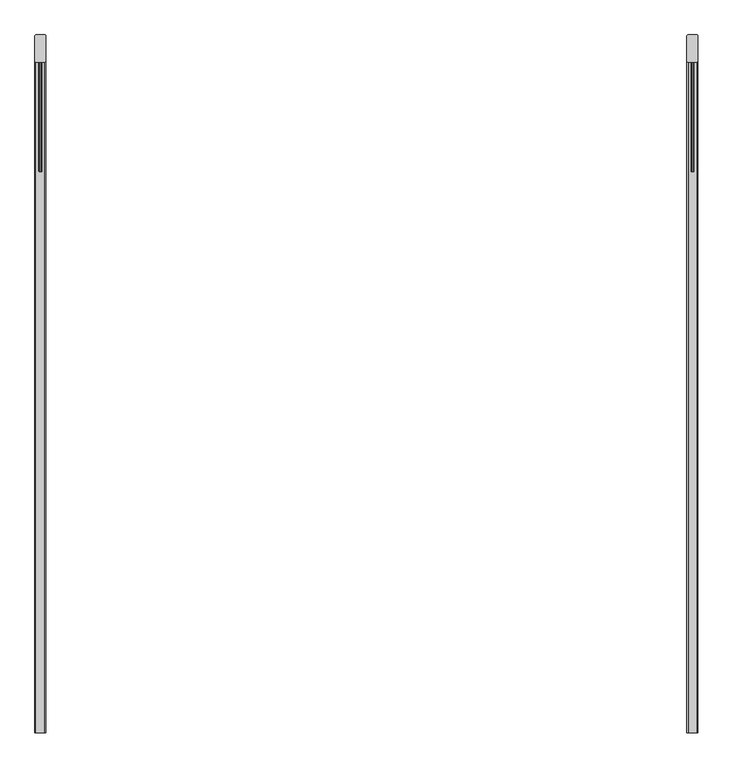
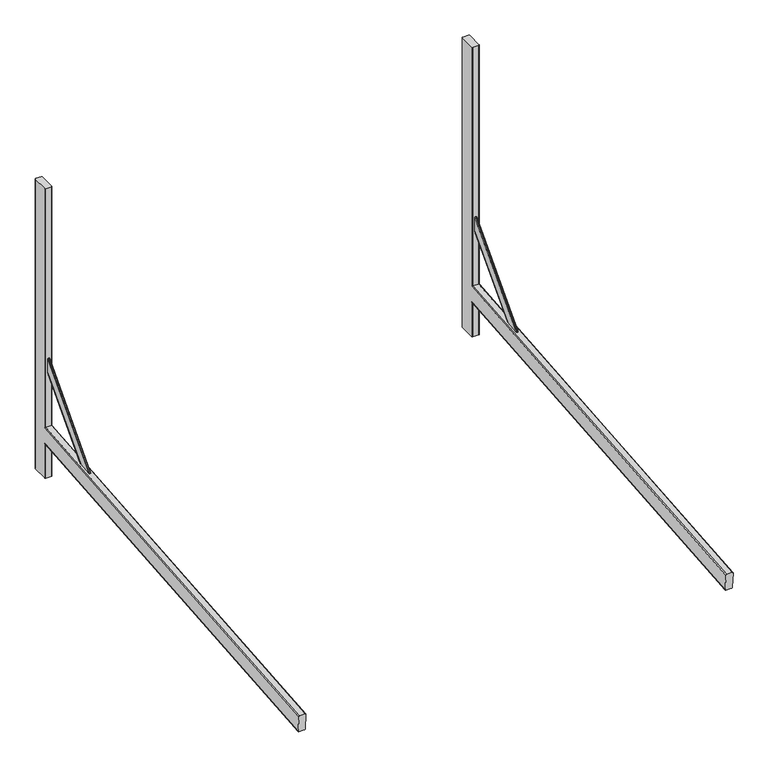
"""IFC4 building model written with IfcOpenShell, lengths in millimetres: proxy geometry."""

import ifcopenshell
import ifcopenshell.guid

model = None  # the IFC model being written
_history = None  # IfcOwnerHistory: only IFC2X3 demands one
_inside = {}  # id of a spatial element -> (the spatial element, [elements in it])
_under = {}  # id of a project, library or spatial element -> (it, [spatial elements below it])
_declared = {}  # id of a project -> (the project, [libraries it declares])
_typed = {}  # id of a type object -> (the type object, [elements of that type])
_made_of = {}  # id of a material, layer set ... -> (it, [elements and type objects made of it])


def new_model(schema):
    """Start an empty IFC model of exactly this schema.

    Asked for "IFC4X3", IfcOpenShell would pick the latest addendum, in which some entities
    have other attributes; the version numbers below select the first issue.
    IFC2X3 requires an IfcOwnerHistory on every rooted entity: one is made here for all.
    """
    global model, _history
    if schema == "IFC4X3":
        model = ifcopenshell.file(schema_version=(4, 3, 0, 0))
    else:
        model = ifcopenshell.file(schema=schema)
    _inside.clear()
    _under.clear()
    _declared.clear()
    _typed.clear()
    _made_of.clear()
    _history = None
    if model.schema == "IFC2X3":
        org = make("IfcOrganization", Name="unknown")
        user = make(
            "IfcPersonAndOrganization",
            ThePerson=make("IfcPerson", FamilyName="unknown"),
            TheOrganization=org,
        )
        app = make(
            "IfcApplication",
            ApplicationDeveloper=org,
            Version="unknown",
            ApplicationFullName="unknown",
            ApplicationIdentifier="unknown",
        )
        _history = make(
            "IfcOwnerHistory",
            OwningUser=user,
            OwningApplication=app,
            ChangeAction="ADDED",
            CreationDate=0,
        )
    return model


def make(cls, **values):
    """One entity of the class cls with the attributes given. An attribute that is None is left unset."""
    return model.create_entity(
        cls, **{name: value for name, value in values.items() if value is not None}
    )


def rooted(cls, **values):
    """An entity with a GlobalId (a new one), such as an element, a storey or a relation."""
    return make(cls, GlobalId=ifcopenshell.guid.new(), OwnerHistory=_history, **values)


def si_unit(unit_type, name, prefix=None):
    """IfcSIUnit, for example si_unit("LENGTHUNIT", "METRE", prefix="MILLI")."""
    return make("IfcSIUnit", UnitType=unit_type, Prefix=prefix, Name=name)


def assignment(units):
    """IfcUnitAssignment: the units of a project."""
    return None if units is None else make("IfcUnitAssignment", Units=units)


def point(xyz):
    """IfcCartesianPoint."""
    return None if xyz is None else make("IfcCartesianPoint", Coordinates=xyz)


def direction(xyz):
    """IfcDirection."""
    return None if xyz is None else make("IfcDirection", DirectionRatios=xyz)


def frame(location, z_axis=None, x_axis=None):
    """IfcAxis2Placement3D, a coordinate frame: its origin and axes. An axis left out is left unset."""
    return make(
        "IfcAxis2Placement3D",
        Location=point(location),
        Axis=direction(z_axis),
        RefDirection=direction(x_axis),
    )


def origin():
    """The frame at (0, 0, 0) with its axes left unset."""
    return frame((0.0, 0.0, 0.0))


def place(relative_to, where):
    """IfcLocalPlacement: puts the frame where relative to a parent placement (None: the world)."""
    return make(
        "IfcLocalPlacement", PlacementRelTo=relative_to, RelativePlacement=where
    )


def context(
    kind, dimensions, precision=None, world=None, true_north=None, identifier=None
):
    """IfcGeometricRepresentationContext, for example the 3D "Model" context."""
    return make(
        "IfcGeometricRepresentationContext",
        ContextIdentifier=identifier,
        ContextType=kind,
        CoordinateSpaceDimension=dimensions,
        Precision=precision,
        WorldCoordinateSystem=world,
        TrueNorth=true_north,
    )


def project(units=None, contexts=None):
    """IfcProject with its units and contexts."""
    return rooted(
        "IfcProject",
        Name="project",
        RepresentationContexts=contexts,
        UnitsInContext=assignment(units),
    )


def spatial(cls, under=None, at=None, **own):
    """A site, building, storey or space (cls), placed at a placement, below another one or the project."""
    s = rooted(cls, ObjectPlacement=at, **own)
    if under is not None:
        _under.setdefault(under.id(), (under, []))[1].append(s)
    return s


def circle_curve(where, radius):
    """IfcCircle in the frame where."""
    return make("IfcCircle", Position=where, Radius=radius)


def ellipse_curve(where, semi_axis1, semi_axis2):
    """IfcEllipse in the frame where."""
    return make(
        "IfcEllipse", Position=where, SemiAxis1=semi_axis1, SemiAxis2=semi_axis2
    )


def shape(context_of_items, identifier, shape_type, items):
    """IfcShapeRepresentation: the items that make up one representation, for example the "Body"."""
    return make(
        "IfcShapeRepresentation",
        ContextOfItems=context_of_items,
        RepresentationIdentifier=identifier,
        RepresentationType=shape_type,
        Items=items,
    )


def source(mapping_origin, context_of_items, identifier, shape_type, items):
    """IfcRepresentationMap: a shape defined once, which mapped items show again and again."""
    return make(
        "IfcRepresentationMap",
        MappingOrigin=mapping_origin,
        MappedRepresentation=shape(context_of_items, identifier, shape_type, items),
    )


def transform(
    local_origin,
    x_axis=None,
    y_axis=None,
    z_axis=None,
    scale=None,
    scale2=None,
    scale3=None,
    uniform=True,
):
    """IfcCartesianTransformationOperator3D, or its non-uniform kind. x_axis, y_axis, z_axis: its Axis1, 2, 3."""
    if uniform:
        return make(
            "IfcCartesianTransformationOperator3D",
            Axis1=direction(x_axis),
            Axis2=direction(y_axis),
            LocalOrigin=point(local_origin),
            Scale=scale,
            Axis3=direction(z_axis),
        )
    return make(
        "IfcCartesianTransformationOperator3DnonUniform",
        Axis1=direction(x_axis),
        Axis2=direction(y_axis),
        LocalOrigin=point(local_origin),
        Scale=scale,
        Axis3=direction(z_axis),
        Scale2=scale2,
        Scale3=scale3,
    )


def mapped(mapping_source, mapping_target):
    """IfcMappedItem: shows the shape of a source again, moved by a transform."""
    return make(
        "IfcMappedItem", MappingSource=mapping_source, MappingTarget=mapping_target
    )


def made_of(thing, what):
    """Note that an element or type object is made of a material, layer set ...; save() writes the relation."""
    if what is not None:
        _made_of.setdefault(what.id(), (what, []))[1].append(thing)
    return thing


def element(
    cls,
    number,
    at=None,
    inside=None,
    cuts=None,
    type_object=None,
    material=None,
    context=None,
    identifier="Body",
    shape_type=None,
    held_by="IfcProductDefinitionShape",
    body=None,
    shapes=None,
    **own,
):
    """One element of the class cls, such as IfcWall. Its Tag is "e" and its number.

    at: its placement. inside: the storey or other place that contains it. cuts: it is an
    opening in that element (IfcRelVoidsElement). A single representation is given by context,
    identifier, shape_type and body (its items); several are given by shapes. held_by: the class
    of the entity that holds the representations. save() writes the other relations.
    """
    e = rooted(cls, Tag="e%d" % number, ObjectPlacement=at, **own)
    if body is not None:
        shapes = [shape(context, identifier, shape_type, body)]
    if shapes is not None:
        e.Representation = make(held_by, Representations=shapes)
    if inside is not None:
        _inside.setdefault(inside.id(), (inside, []))[1].append(e)
    if cuts is not None:
        rooted(
            "IfcRelVoidsElement", RelatingBuildingElement=cuts, RelatedOpeningElement=e
        )
    if type_object is not None:
        _typed.setdefault(type_object.id(), (type_object, []))[1].append(e)
    return made_of(e, material)


def aggregate(whole, parts):
    """IfcRelAggregates: a whole, such as a stair, and the parts it consists of."""
    return rooted("IfcRelAggregates", RelatingObject=whole, RelatedObjects=parts)


def save(model, path):
    """Write the relations noted so far, then the file.

    IfcRelAggregates (storeys below a building ...), IfcRelContainedInSpatialStructure (elements
    in a storey), IfcRelDefinesByType, IfcRelAssociatesMaterial and IfcRelDeclares: one each for
    every whole, place, type object, material and project.
    """
    for whole, parts in _under.values():
        aggregate(whole, parts)
    for where, things in _inside.values():
        rooted(
            "IfcRelContainedInSpatialStructure",
            RelatedElements=things,
            RelatingStructure=where,
        )
    for kind, things in _typed.values():
        rooted("IfcRelDefinesByType", RelatedObjects=things, RelatingType=kind)
    for what, things in _made_of.values():
        rooted("IfcRelAssociatesMaterial", RelatedObjects=things, RelatingMaterial=what)
    for by, libraries in _declared.values():
        rooted("IfcRelDeclares", RelatingContext=by, RelatedDefinitions=libraries)
    model.write(path)


def plane_surface(at):
    """IfcPlane: the flat surface through the origin of the frame at, square to its z axis."""
    return make("IfcPlane", Position=at)


def cylinder_surface(at, radius):
    """IfcCylindricalSurface: all points at the distance radius from the z axis of the frame at."""
    return make("IfcCylindricalSurface", Position=at, Radius=radius)


def advanced_brep(points, edges, surfaces, faces):
    """IfcAdvancedBrep: a solid bounded by faces that lie on surfaces and meet in shared edges.

    An edge is (start, end): straight between two places in points (the first is 0);
    or (start, end, curve); or (start, end, curve, False) where it runs against its curve.
    A face is (place in surfaces, loops), or (place, loops, False) where it looks against
    its surface's normal. A loop lists edges by number (the first is 1), with a minus sign
    where the edge is run from its end to its start. The first loop is the outer one.
    """
    corners = [point(p) for p in points]
    vertices = [make("IfcVertexPoint", VertexGeometry=c) for c in corners]
    made = []
    for start, end, *more in edges:
        made.append(
            make(
                "IfcEdgeCurve",
                EdgeStart=vertices[start],
                EdgeEnd=vertices[end],
                EdgeGeometry=more[0] if more else make("IfcPolyline", Points=[corners[start], corners[end]]),
                SameSense=more[1] if len(more) > 1 else True,
            )
        )
    hull = []
    for where, loops, *sense in faces:
        bounds = []
        for j, loop in enumerate(loops):
            ring = [make("IfcOrientedEdge", EdgeElement=made[abs(k) - 1], Orientation=k > 0) for k in loop]
            bounds.append(
                make(
                    "IfcFaceOuterBound" if j == 0 else "IfcFaceBound",
                    Bound=make("IfcEdgeLoop", EdgeList=ring),
                    Orientation=True,
                )
            )
        hull.append(make("IfcAdvancedFace", Bounds=bounds, FaceSurface=surfaces[where], SameSense=sense[0] if sense else True))
    return make("IfcAdvancedBrep", Outer=make("IfcClosedShell", CfsFaces=hull))


def parking_875ad0d6(model_context):
    return source(origin(), model_context, "Body", "AdvancedBrep", [
        advanced_brep(
        [(610.0, -693.5430267, -4.9673613), (610.0, -697.5521909, 40.8575948), (608.0, -697.7265024, 42.8499842), (592.0, -697.7265024, 42.8499842), (590.0, -697.5521909, 40.8575948), (590.0, -693.5430267, -4.9673613), (592.0, -693.3687152, -6.9597507), (608.0, -693.3687152, -6.9597507), (608.0, 537.083027, 100.6908277), (610.0, 539.083027, 102.8734447), (592.0, 537.083027, 100.6908277), (590.0, 539.083027, 102.8734447), (590.0, 539.083027, 149.0491573), (590.0, 539.083027, 860.0), (590.0, 585.083027, 860.0), (590.0, 585.083027, 0.0), (590.0, 539.083027, 0.0), (592.0, 537.083027, 150.8818196), (608.0, 537.083027, 150.8818196), (601.5, 379.3420738, 137.0812744), (602.5, 377.8675191, 136.9522676), (602.5, 336.5799882, 133.3400767), (601.5, 335.1054336, 133.2110699), (598.5, 335.1054336, 133.2110699), (597.5, 336.5799882, 133.3400767), (597.5, 377.8675191, 136.9522676), (598.5, 379.3420738, 137.0812744), (610.0, 539.083027, 149.0491573), (610.0, 539.083027, 0.0), (610.0, 585.083027, 0.0), (610.0, 585.083027, 860.0), (610.0, 539.083027, 860.0), (601.5, 537.083027, 309.2253177), (602.5, 537.083027, 310.7055049), (598.5, 537.083027, 309.2253177), (597.5, 537.083027, 310.7055049), (597.5, 537.083027, 352.1507474), (598.5, 537.083027, 353.6309347), (601.5, 537.083027, 353.6309347), (602.5, 537.083027, 352.1507474), (608.0, 537.083027, 0.0), (592.0, 537.083027, 0.0), (592.0, 587.083027, 0.0), (608.0, 587.083027, 0.0), (608.0, 587.083027, 860.0), (592.0, 587.083027, 860.0), (592.0, 537.083027, 860.0), (608.0, 537.083027, 860.0)],
        [
            (0, 1),
            (1, 2, circle_curve(frame((608.0, -697.5521909, 40.8575948), z_axis=(0.0, -0.9961946980917458, -0.08715574274765542), x_axis=(-1.0, 0.0, 0.0)), 2.0)),
            (2, 3),
            (3, 4, circle_curve(frame((592.0, -697.5521909, 40.8575948), z_axis=(0.0, -0.9961946980917458, -0.08715574274765542), x_axis=(-1.0, 0.0, 0.0)), 2.0)),
            (4, 5),
            (5, 6, circle_curve(frame((592.0, -693.5430267, -4.9673613), z_axis=(0.0, -0.9961946980917458, -0.08715574274765542), x_axis=(-1.0, 0.0, 0.0)), 2.0)),
            (6, 7),
            (7, 0, circle_curve(frame((608.0, -693.5430267, -4.9673613), z_axis=(0.0, -0.9961946980917458, -0.08715574274765542), x_axis=(-1.0, 0.0, 0.0)), 2.0)),
            (7, 8),
            (8, 9, ellipse_curve(frame((608.0, 539.083027, 102.8734447), z_axis=(0.0, -0.7372773368101226, 0.6755902076156619), x_axis=(0.0, -0.6755902076156618, -0.7372773368101226)), 2.9603745, 2.0)),
            (9, 0),
            (6, 10),
            (10, 8),
            (5, 11),
            (11, 10, ellipse_curve(frame((592.0, 539.083027, 102.8734447), z_axis=(0.0, -0.7372773368101226, 0.6755902076156619), x_axis=(0.0, -0.6755902076156618, -0.7372773368101226)), 2.9603745, 2.0)),
            (4, 12),
            (12, 13),
            (13, 14),
            (14, 15),
            (15, 16),
            (16, 11),
            (3, 17),
            (17, 12, ellipse_curve(frame((592.0, 539.083027, 149.0491573), z_axis=(0.0, -0.6755902076156618, -0.7372773368101225), x_axis=(0.0, -0.7372773368101226, 0.6755902076156618)), 2.7126834, 2.0)),
            (2, 18),
            (18, 17),
            (19, 20, ellipse_curve(frame((601.5, 377.8675191, 136.9522676), z_axis=(0.0, 0.08715574274765543, -0.9961946980917458), x_axis=(0.0, -0.9961946980917457, -0.08715574274765536)), 1.4801872, 1.0)),
            (20, 21),
            (21, 22, ellipse_curve(frame((601.5, 336.5799882, 133.3400767), z_axis=(0.0, 0.08715574274765543, -0.9961946980917458), x_axis=(0.0, -0.9961946980917457, -0.08715574274765536)), 1.4801872, 1.0)),
            (22, 23),
            (23, 24, ellipse_curve(frame((598.5, 336.5799882, 133.3400767), z_axis=(0.0, 0.08715574274765543, -0.9961946980917458), x_axis=(0.0, -0.9961946980917457, -0.08715574274765536)), 1.4801872, 1.0)),
            (24, 25),
            (25, 26, ellipse_curve(frame((598.5, 377.8675191, 136.9522676), z_axis=(0.0, 0.08715574274765543, -0.9961946980917458), x_axis=(0.0, -0.9961946980917457, -0.08715574274765536)), 1.4801872, 1.0)),
            (26, 19),
            (1, 27),
            (27, 18, ellipse_curve(frame((608.0, 539.083027, 149.0491573), z_axis=(0.0, -0.6755902076156618, -0.7372773368101225), x_axis=(0.0, -0.7372773368101226, 0.6755902076156618)), 2.7126834, 2.0)),
            (9, 28),
            (28, 29),
            (29, 30),
            (30, 31),
            (31, 27),
            (19, 32),
            (32, 33, ellipse_curve(frame((601.5, 537.083027, 310.7055049), z_axis=(0.0, -1.0, 0.0), x_axis=(0.0, 0.0, -1.0)), 1.4801872, 1.0)),
            (33, 20),
            (26, 34),
            (34, 32),
            (25, 35),
            (35, 34, ellipse_curve(frame((598.5, 537.083027, 310.7055049), z_axis=(0.0, -1.0, 0.0), x_axis=(0.0, 0.0, -1.0)), 1.4801872, 1.0)),
            (24, 36),
            (36, 35),
            (23, 37),
            (37, 36, ellipse_curve(frame((598.5, 537.083027, 352.1507474), z_axis=(0.0, -1.0, 0.0), x_axis=(0.0, 0.0, -1.0)), 1.4801872, 1.0)),
            (22, 38),
            (38, 37),
            (21, 39),
            (39, 38, ellipse_curve(frame((601.5, 537.083027, 352.1507474), z_axis=(0.0, -1.0, 0.0), x_axis=(0.0, 0.0, -1.0)), 1.4801872, 1.0)),
            (33, 39),
            (28, 40, circle_curve(frame((608.0, 539.083027, 0.0), z_axis=(0.0, 0.0, -1.0), x_axis=(0.0, 1.0, 0.0)), 2.0)),
            (40, 41),
            (41, 16, circle_curve(frame((592.0, 539.083027, 0.0), z_axis=(0.0, 0.0, -1.0), x_axis=(0.0, 1.0, 0.0)), 2.0)),
            (15, 42, circle_curve(frame((592.0, 585.083027, 0.0), z_axis=(0.0, 0.0, -1.0), x_axis=(0.0, 1.0, 0.0)), 2.0)),
            (42, 43),
            (43, 29, circle_curve(frame((608.0, 585.083027, 0.0), z_axis=(0.0, 0.0, -1.0), x_axis=(0.0, 1.0, 0.0)), 2.0)),
            (30, 44, circle_curve(frame((608.0, 585.083027, 860.0), z_axis=(0.0, 0.0, 1.0), x_axis=(0.0, 1.0, 0.0)), 2.0)),
            (44, 45),
            (45, 14, circle_curve(frame((592.0, 585.083027, 860.0), z_axis=(0.0, 0.0, 1.0), x_axis=(0.0, 1.0, 0.0)), 2.0)),
            (13, 46, circle_curve(frame((592.0, 539.083027, 860.0), z_axis=(0.0, 0.0, 1.0), x_axis=(0.0, 1.0, 0.0)), 2.0)),
            (46, 47),
            (47, 31, circle_curve(frame((608.0, 539.083027, 860.0), z_axis=(0.0, 0.0, 1.0), x_axis=(0.0, 1.0, 0.0)), 2.0)),
            (43, 44),
            (42, 45),
            (41, 10),
            (17, 46),
            (40, 8),
            (18, 47),
        ],
        [
            plane_surface(frame((610.0, -693.5827297, -4.5135541), z_axis=(0.0, -0.9961946980917458, -0.08715574274765542), x_axis=(0.0, -0.08715574274765542, 0.9961946980917458))),
            cylinder_surface(frame((608.0, 550.8952919, 103.906884), z_axis=(0.0, -0.9961946980917458, -0.08715574274765542), x_axis=(-1.0, 0.0, 0.0)), 2.0),
            plane_surface(frame((592.0, -693.3687152, -6.9597507), z_axis=(0.0, 0.08715574274765542, -0.9961946980917458), x_axis=(0.0, 0.9961946980917458, 0.08715574274765542))),
            cylinder_surface(frame((592.0, 550.8952919, 103.906884), z_axis=(0.0, -0.9961946980917458, -0.08715574274765542), x_axis=(-1.0, 0.0, 0.0)), 2.0),
            plane_surface(frame((590.0, -697.5521909, 40.8575948), z_axis=(-1.0, 0.0, 0.0), x_axis=(0.0, 0.9961946980917458, 0.08715574274765542))),
            cylinder_surface(frame((592.0, 546.8861277, 149.7318401), z_axis=(0.0, -0.9961946980917458, -0.08715574274765542), x_axis=(-1.0, 0.0, 0.0)), 2.0),
            plane_surface(frame((608.0, -697.7265024, 42.8499842), z_axis=(0.0, -0.08715574274765543, 0.9961946980917458), x_axis=(0.0, 0.9961946980917458, 0.08715574274765543))),
            cylinder_surface(frame((608.0, 546.8861277, 149.7318401), z_axis=(0.0, -0.9961946980917458, -0.08715574274765542), x_axis=(-1.0, 0.0, 0.0)), 2.0),
            plane_surface(frame((610.0, -693.5430267, -4.9673613), z_axis=(1.0, 0.0, 0.0), x_axis=(0.0, 0.9961946980917458, 0.08715574274765542))),
            cylinder_surface(frame((601.5, 563.116161, 339.1156854), z_axis=(0.0, -0.6755902076156626, -0.737277336810122), x_axis=(-1.0, 0.0, 0.0)), 1.0),
            plane_surface(frame((598.5, 354.1502379, 109.5892098), z_axis=(0.0, 0.737277336810122, -0.6755902076156626), x_axis=(0.0, 0.6755902076156626, 0.737277336810122))),
            cylinder_surface(frame((598.5, 563.116161, 339.1156854), z_axis=(0.0, -0.6755902076156626, -0.737277336810122), x_axis=(-1.0, 0.0, 0.0)), 1.0),
            plane_surface(frame((597.5, 332.7691952, 129.1813259), z_axis=(-1.0, 0.0, 0.0), x_axis=(0.0, 0.6755902076156627, 0.7372773368101218))),
            cylinder_surface(frame((598.5, 542.4723956, 358.0322112), z_axis=(0.0, -0.6755902076156626, -0.737277336810122), x_axis=(-1.0, 0.0, 0.0)), 1.0),
            plane_surface(frame((601.5, 332.0319178, 129.8569161), z_axis=(0.0, -0.737277336810122, 0.6755902076156627), x_axis=(0.0, 0.6755902076156627, 0.737277336810122))),
            cylinder_surface(frame((601.5, 542.4723956, 358.0322112), z_axis=(0.0, -0.6755902076156626, -0.737277336810122), x_axis=(-1.0, 0.0, 0.0)), 1.0),
            plane_surface(frame((602.5, 353.4129606, 110.2648), z_axis=(1.0000000000000002, 0.0, 0.0), x_axis=(0.0, 0.6755902076156627, 0.737277336810122))),
            plane_surface(frame((0.0, 537.083027, 0.0), z_axis=(0.0, 0.0, -1.0), x_axis=(-1.0, 0.0, 0.0))),
            plane_surface(frame((0.0, 537.083027, 860.0), z_axis=(0.0, 0.0, 1.0), x_axis=(-1.0, 0.0, 0.0))),
            cylinder_surface(frame((608.0, 585.083027, 0.0), z_axis=(0.0, 0.0, -1.0), x_axis=(0.0, 1.0, 0.0)), 2.0),
            plane_surface(frame((592.0, 587.083027, 0.0), z_axis=(0.0, 1.0, 0.0), x_axis=(0.0, 0.0, 1.0))),
            cylinder_surface(frame((592.0, 585.083027, 0.0), z_axis=(0.0, 0.0, -1.0), x_axis=(0.0, 1.0, 0.0)), 2.0),
            cylinder_surface(frame((592.0, 539.083027, 0.0), z_axis=(0.0, 0.0, -1.0), x_axis=(0.0, 1.0, 0.0)), 2.0),
            plane_surface(frame((608.0, 537.083027, 0.0), z_axis=(0.0, -1.0, 0.0), x_axis=(0.0, 0.0, 1.0))),
            cylinder_surface(frame((608.0, 539.083027, 0.0), z_axis=(0.0, 0.0, -1.0), x_axis=(0.0, 1.0, 0.0)), 2.0),
        ],
        [
            (0, [[1, 2, 3, 4, 5, 6, 7, 8]]),
            (1, [[-8, 9, 10, 11]]),
            (2, [[-7, 12, 13, -9]]),
            (3, [[-6, 14, 15, -12]]),
            (4, [[-5, 16, 17, 18, 19, 20, 21, -14]]),
            (5, [[-4, 22, 23, -16]]),
            (6, [[-3, 24, 25, -22], [26, 27, 28, 29, 30, 31, 32, 33]]),
            (7, [[-2, 34, 35, -24]]),
            (8, [[-1, -11, 36, 37, 38, 39, 40, -34]]),
            (9, [[-26, 41, 42, 43]]),
            (10, [[-33, 44, 45, -41]]),
            (11, [[-32, 46, 47, -44]]),
            (12, [[-31, 48, 49, -46]]),
            (13, [[-30, 50, 51, -48]]),
            (14, [[-29, 52, 53, -50]]),
            (15, [[-28, 54, 55, -52]]),
            (16, [[-27, -43, 56, -54]]),
            (17, [[57, 58, 59, -20, 60, 61, 62, -37]]),
            (18, [[-39, 63, 64, 65, -18, 66, 67, 68]]),
            (19, [[-62, 69, -63, -38]]),
            (20, [[-61, 70, -64, -69]]),
            (21, [[-60, -19, -65, -70]]),
            (22, [[-59, 71, -15, -21]]),
            (22, [[-66, -17, -23, 72]]),
            (23, [[-58, 73, -13, -71]]),
            (23, [[-67, -72, -25, 74], [-42, -45, -47, -49, -51, -53, -55, -56]]),
            (24, [[-57, -36, -10, -73]]),
            (24, [[-68, -74, -35, -40]]),
        ],
    ),
        advanced_brep(
        [(-610.0, -693.5430267, -4.9673613), (-608.0, -693.3687152, -6.9597507), (-592.0, -693.3687152, -6.9597507), (-590.0, -693.5430267, -4.9673613), (-590.0, -697.5521909, 40.8575948), (-592.0, -697.7265024, 42.8499842), (-608.0, -697.7265024, 42.8499842), (-610.0, -697.5521909, 40.8575948), (-610.0, 539.083027, 102.8734447), (-608.0, 537.083027, 100.6908277), (-592.0, 537.083027, 100.6908277), (-590.0, 539.083027, 102.8734447), (-590.0, 539.083027, 0.0), (-590.0, 585.083027, 0.0), (-590.0, 585.083027, 860.0), (-590.0, 539.083027, 860.0), (-590.0, 539.083027, 149.0491573), (-592.0, 537.083027, 150.8818196), (-608.0, 537.083027, 150.8818196), (-602.5, 377.8675191, 136.9522676), (-601.5, 379.3420738, 137.0812744), (-598.5, 379.3420738, 137.0812744), (-597.5, 377.8675191, 136.9522676), (-597.5, 336.5799882, 133.3400767), (-598.5, 335.1054336, 133.2110699), (-601.5, 335.1054336, 133.2110699), (-602.5, 336.5799882, 133.3400767), (-610.0, 539.083027, 149.0491573), (-610.0, 539.083027, 860.0), (-610.0, 585.083027, 860.0), (-610.0, 585.083027, 0.0), (-610.0, 539.083027, 0.0), (-608.0, 587.083027, 0.0), (-592.0, 587.083027, 0.0), (-592.0, 537.083027, 0.0), (-608.0, 537.083027, 0.0), (-608.0, 537.083027, 860.0), (-592.0, 537.083027, 860.0), (-592.0, 587.083027, 860.0), (-608.0, 587.083027, 860.0), (-601.5, 537.083027, 309.2253177), (-602.5, 537.083027, 310.7055049), (-602.5, 537.083027, 352.1507474), (-601.5, 537.083027, 353.6309347), (-598.5, 537.083027, 353.6309347), (-597.5, 537.083027, 352.1507474), (-597.5, 537.083027, 310.7055049), (-598.5, 537.083027, 309.2253177)],
        [
            (0, 1, circle_curve(frame((-608.0, -693.5430267, -4.9673613), z_axis=(0.0, -0.9961946980917458, -0.08715574274765542), x_axis=(1.0, 0.0, 0.0)), 2.0)),
            (1, 2),
            (2, 3, circle_curve(frame((-592.0, -693.5430267, -4.9673613), z_axis=(0.0, -0.9961946980917458, -0.08715574274765542), x_axis=(1.0, 0.0, 0.0)), 2.0)),
            (3, 4),
            (4, 5, circle_curve(frame((-592.0, -697.5521909, 40.8575948), z_axis=(0.0, -0.9961946980917458, -0.08715574274765542), x_axis=(1.0, 0.0, 0.0)), 2.0)),
            (5, 6),
            (6, 7, circle_curve(frame((-608.0, -697.5521909, 40.8575948), z_axis=(0.0, -0.9961946980917458, -0.08715574274765542), x_axis=(1.0, 0.0, 0.0)), 2.0)),
            (7, 0),
            (0, 8),
            (8, 9, ellipse_curve(frame((-608.0, 539.083027, 102.8734447), z_axis=(0.0, -0.7372773368101226, 0.6755902076156619), x_axis=(0.0, -0.6755902076156618, -0.7372773368101226)), 2.9603745, 2.0)),
            (9, 1),
            (9, 10),
            (10, 2),
            (10, 11, ellipse_curve(frame((-592.0, 539.083027, 102.8734447), z_axis=(0.0, -0.7372773368101226, 0.6755902076156619), x_axis=(0.0, -0.6755902076156618, -0.7372773368101226)), 2.9603745, 2.0)),
            (11, 3),
            (11, 12),
            (12, 13),
            (13, 14),
            (14, 15),
            (15, 16),
            (16, 4),
            (16, 17, ellipse_curve(frame((-592.0, 539.083027, 149.0491573), z_axis=(0.0, -0.6755902076156618, -0.7372773368101225), x_axis=(0.0, -0.7372773368101226, 0.6755902076156618)), 2.7126834, 2.0)),
            (17, 5),
            (17, 18),
            (18, 6),
            (19, 20, ellipse_curve(frame((-601.5, 377.8675191, 136.9522676), z_axis=(0.0, 0.08715574274765543, -0.9961946980917458), x_axis=(0.0, -0.9961946980917457, -0.08715574274765536)), 1.4801872, 1.0)),
            (20, 21),
            (21, 22, ellipse_curve(frame((-598.5, 377.8675191, 136.9522676), z_axis=(0.0, 0.08715574274765543, -0.9961946980917458), x_axis=(0.0, -0.9961946980917457, -0.08715574274765536)), 1.4801872, 1.0)),
            (22, 23),
            (23, 24, ellipse_curve(frame((-598.5, 336.5799882, 133.3400767), z_axis=(0.0, 0.08715574274765543, -0.9961946980917458), x_axis=(0.0, -0.9961946980917457, -0.08715574274765536)), 1.4801872, 1.0)),
            (24, 25),
            (25, 26, ellipse_curve(frame((-601.5, 336.5799882, 133.3400767), z_axis=(0.0, 0.08715574274765543, -0.9961946980917458), x_axis=(0.0, -0.9961946980917457, -0.08715574274765536)), 1.4801872, 1.0)),
            (26, 19),
            (18, 27, ellipse_curve(frame((-608.0, 539.083027, 149.0491573), z_axis=(0.0, -0.6755902076156618, -0.7372773368101225), x_axis=(0.0, -0.7372773368101226, 0.6755902076156618)), 2.7126834, 2.0)),
            (27, 7),
            (27, 28),
            (28, 29),
            (29, 30),
            (30, 31),
            (31, 8),
            (30, 32, circle_curve(frame((-608.0, 585.083027, 0.0), z_axis=(0.0, 0.0, -1.0), x_axis=(0.0, -1.0, 0.0)), 2.0)),
            (32, 33),
            (33, 13, circle_curve(frame((-592.0, 585.083027, 0.0), z_axis=(0.0, 0.0, -1.0), x_axis=(0.0, -1.0, 0.0)), 2.0)),
            (12, 34, circle_curve(frame((-592.0, 539.083027, 0.0), z_axis=(0.0, 0.0, -1.0), x_axis=(0.0, -1.0, 0.0)), 2.0)),
            (34, 35),
            (35, 31, circle_curve(frame((-608.0, 539.083027, 0.0), z_axis=(0.0, 0.0, -1.0), x_axis=(0.0, -1.0, 0.0)), 2.0)),
            (28, 36, circle_curve(frame((-608.0, 539.083027, 860.0), z_axis=(0.0, 0.0, 1.0), x_axis=(0.0, -1.0, 0.0)), 2.0)),
            (36, 37),
            (37, 15, circle_curve(frame((-592.0, 539.083027, 860.0), z_axis=(0.0, 0.0, 1.0), x_axis=(0.0, -1.0, 0.0)), 2.0)),
            (14, 38, circle_curve(frame((-592.0, 585.083027, 860.0), z_axis=(0.0, 0.0, 1.0), x_axis=(0.0, -1.0, 0.0)), 2.0)),
            (38, 39),
            (39, 29, circle_curve(frame((-608.0, 585.083027, 860.0), z_axis=(0.0, 0.0, 1.0), x_axis=(0.0, -1.0, 0.0)), 2.0)),
            (39, 32),
            (38, 33),
            (10, 34),
            (37, 17),
            (9, 35),
            (36, 18),
            (40, 41, ellipse_curve(frame((-601.5, 537.083027, 310.7055049), z_axis=(0.0, 1.0, 0.0), x_axis=(0.0, 0.0, -1.0)), 1.4801872, 1.0)),
            (41, 42),
            (42, 43, ellipse_curve(frame((-601.5, 537.083027, 352.1507474), z_axis=(0.0, 1.0, 0.0), x_axis=(0.0, 0.0, -1.0)), 1.4801872, 1.0)),
            (43, 44),
            (44, 45, ellipse_curve(frame((-598.5, 537.083027, 352.1507474), z_axis=(0.0, 1.0, 0.0), x_axis=(0.0, 0.0, -1.0)), 1.4801872, 1.0)),
            (45, 46),
            (46, 47, ellipse_curve(frame((-598.5, 537.083027, 310.7055049), z_axis=(0.0, 1.0, 0.0), x_axis=(0.0, 0.0, -1.0)), 1.4801872, 1.0)),
            (47, 40),
            (19, 41),
            (40, 20),
            (47, 21),
            (46, 22),
            (45, 23),
            (44, 24),
            (43, 25),
            (42, 26),
        ],
        [
            plane_surface(frame((-606.0, -693.5430267, -4.9673613), z_axis=(0.0, -0.9961946980917458, -0.08715574274765543), x_axis=(0.0, -0.08715574274765543, 0.9961946980917458))),
            cylinder_surface(frame((-608.0, 550.8952919, 103.906884), z_axis=(0.0, -0.9961946980917458, -0.08715574274765542), x_axis=(1.0, 0.0, 0.0)), 2.0),
            plane_surface(frame((-608.0, -693.3687152, -6.9597507), z_axis=(0.0, 0.08715574274765542, -0.9961946980917458), x_axis=(0.0, 0.9961946980917458, 0.08715574274765542))),
            cylinder_surface(frame((-592.0, 550.8952919, 103.906884), z_axis=(0.0, -0.9961946980917458, -0.08715574274765542), x_axis=(1.0, 0.0, 0.0)), 2.0),
            plane_surface(frame((-590.0, -693.5430267, -4.9673613), z_axis=(1.0, 0.0, 0.0), x_axis=(0.0, 0.9961946980917458, 0.08715574274765542))),
            cylinder_surface(frame((-592.0, 546.8861277, 149.7318401), z_axis=(0.0, -0.9961946980917458, -0.08715574274765542), x_axis=(1.0, 0.0, 0.0)), 2.0),
            plane_surface(frame((-592.0, -697.7265024, 42.8499842), z_axis=(0.0, -0.08715574274765543, 0.9961946980917458), x_axis=(0.0, 0.9961946980917458, 0.08715574274765543))),
            cylinder_surface(frame((-608.0, 546.8861277, 149.7318401), z_axis=(0.0, -0.9961946980917458, -0.08715574274765542), x_axis=(1.0, 0.0, 0.0)), 2.0),
            plane_surface(frame((-610.0, -697.5521909, 40.8575948), z_axis=(-1.0, 0.0, 0.0), x_axis=(0.0, 0.9961946980917458, 0.08715574274765542))),
            plane_surface(frame((0.0, 537.083027, 0.0), z_axis=(0.0, 0.0, -1.0), x_axis=(1.0, 0.0, 0.0))),
            plane_surface(frame((0.0, 537.083027, 860.0), z_axis=(0.0, 0.0, 1.0), x_axis=(1.0, 0.0, 0.0))),
            cylinder_surface(frame((-608.0, 585.083027, 0.0), z_axis=(0.0, 0.0, -1.0), x_axis=(0.0, -1.0, 0.0)), 2.0),
            plane_surface(frame((-608.0, 587.083027, 0.0), z_axis=(0.0, 1.0, 0.0), x_axis=(0.0, 0.0, 1.0))),
            cylinder_surface(frame((-592.0, 585.083027, 0.0), z_axis=(0.0, 0.0, -1.0), x_axis=(0.0, -1.0, 0.0)), 2.0),
            cylinder_surface(frame((-592.0, 539.083027, 0.0), z_axis=(0.0, 0.0, -1.0), x_axis=(0.0, -1.0, 0.0)), 2.0),
            plane_surface(frame((-592.0, 537.083027, 0.0), z_axis=(0.0, -1.0, 0.0), x_axis=(0.0, 0.0, 1.0))),
            cylinder_surface(frame((-608.0, 539.083027, 0.0), z_axis=(0.0, 0.0, -1.0), x_axis=(0.0, -1.0, 0.0)), 2.0),
            cylinder_surface(frame((-601.5, 563.116161, 339.1156854), z_axis=(0.0, -0.6755902076156626, -0.737277336810122), x_axis=(1.0, 0.0, 0.0)), 1.0),
            plane_surface(frame((-601.5, 354.1502379, 109.5892098), z_axis=(0.0, 0.737277336810122, -0.6755902076156625), x_axis=(0.0, 0.6755902076156625, 0.737277336810122))),
            cylinder_surface(frame((-598.5, 563.116161, 339.1156854), z_axis=(0.0, -0.6755902076156626, -0.737277336810122), x_axis=(1.0, 0.0, 0.0)), 1.0),
            plane_surface(frame((-597.5, 353.4129606, 110.2648), z_axis=(1.0000000000000002, 0.0, 0.0), x_axis=(0.0, 0.6755902076156627, 0.737277336810122))),
            cylinder_surface(frame((-598.5, 542.4723956, 358.0322112), z_axis=(0.0, -0.6755902076156626, -0.737277336810122), x_axis=(1.0, 0.0, 0.0)), 1.0),
            plane_surface(frame((-598.5, 332.0319178, 129.8569161), z_axis=(0.0, -0.737277336810122, 0.6755902076156627), x_axis=(0.0, 0.6755902076156627, 0.737277336810122))),
            cylinder_surface(frame((-601.5, 542.4723956, 358.0322112), z_axis=(0.0, -0.6755902076156626, -0.737277336810122), x_axis=(1.0, 0.0, 0.0)), 1.0),
            plane_surface(frame((-602.5, 332.7691952, 129.1813259), z_axis=(-1.0, 0.0, 0.0), x_axis=(0.0, 0.6755902076156624, 0.7372773368101221))),
        ],
        [
            (0, [[1, 2, 3, 4, 5, 6, 7, 8]]),
            (1, [[-1, 9, 10, 11]]),
            (2, [[-2, -11, 12, 13]]),
            (3, [[-3, -13, 14, 15]]),
            (4, [[-4, -15, 16, 17, 18, 19, 20, 21]]),
            (5, [[-5, -21, 22, 23]]),
            (6, [[-6, -23, 24, 25], [26, 27, 28, 29, 30, 31, 32, 33]]),
            (7, [[-7, -25, 34, 35]]),
            (8, [[-8, -35, 36, 37, 38, 39, 40, -9]]),
            (9, [[-39, 41, 42, 43, -17, 44, 45, 46]]),
            (10, [[47, 48, 49, -19, 50, 51, 52, -37]]),
            (11, [[-41, -38, -52, 53]]),
            (12, [[-42, -53, -51, 54]]),
            (13, [[-43, -54, -50, -18]]),
            (14, [[-44, -16, -14, 55]]),
            (14, [[-49, 56, -22, -20]]),
            (15, [[-45, -55, -12, 57]]),
            (15, [[-48, 58, -24, -56], [59, 60, 61, 62, 63, 64, 65, 66]]),
            (16, [[-46, -57, -10, -40]]),
            (16, [[-47, -36, -34, -58]]),
            (17, [[67, -59, 68, -26]]),
            (18, [[-68, -66, 69, -27]]),
            (19, [[-69, -65, 70, -28]]),
            (20, [[-70, -64, 71, -29]]),
            (21, [[-71, -63, 72, -30]]),
            (22, [[-72, -62, 73, -31]]),
            (23, [[-73, -61, 74, -32]]),
            (24, [[-67, -33, -74, -60]]),
        ],
    ),
    ])


if __name__ == "__main__":
    model = new_model("IFC4")
    model_context = context("Model", 3, world=origin())
    ifc_project = project(units=[si_unit("LENGTHUNIT", "METRE", prefix="MILLI")], contexts=[model_context])
    site = spatial("IfcSite", under=ifc_project)
    building = spatial("IfcBuilding", under=site)
    placement = place(None, origin())
    parking_shape = parking_875ad0d6(model_context)
    element("IfcBuildingElementProxy", 1, Name="Parking", at=placement, inside=building, context=model_context, shape_type="MappedRepresentation", body=[
        mapped(parking_shape, transform((0.0, 0.0, 0.0), x_axis=(1.0, 0.0, 0.0), y_axis=(0.0, 1.0, 0.0), z_axis=(0.0, 0.0, 1.0))),
    ])
    save(model, "model.ifc")
